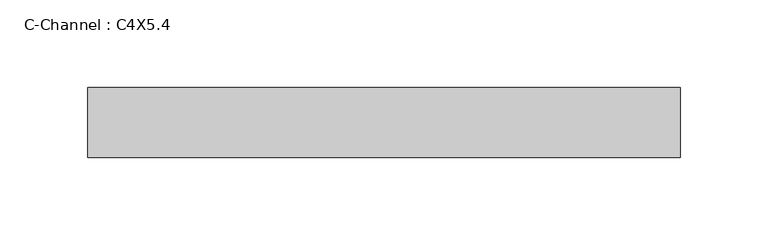
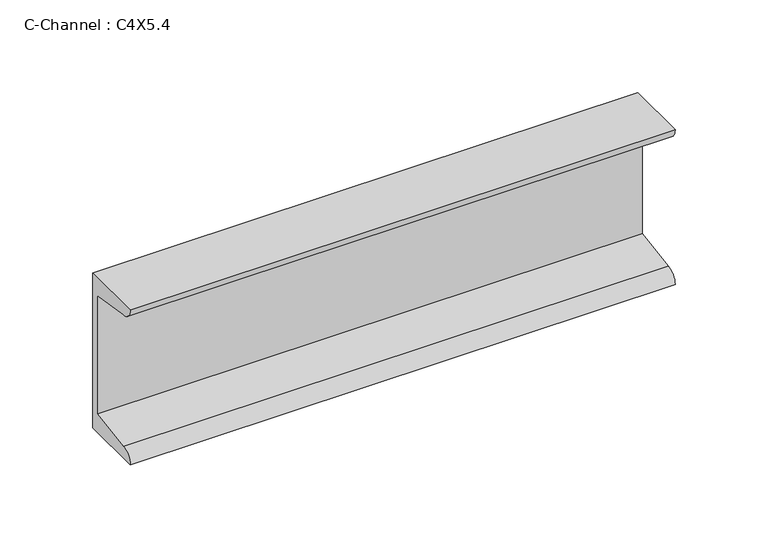
"""IFC4 building model written with IfcOpenShell, lengths in millimetres: beam geometry, C-Channel : C4X5.4."""

from ifc_helpers import new_model, si_unit, point, frame, frame_2d, origin, place, context, project, spatial, polyline, circle_curve, trimmed, segment, composite_curve, outline, extrude, source, transform, mapped, element, save


def c_channel_c4x5_4_ce13a80e(model_context):
    return source(origin(), model_context, "Body", "SweptSolid", [
        extrude(outline(composite_curve([segment(polyline([(11.6085937, 50.8), (11.6085937, -50.8), (-28.4757813, -50.8)]), True, "CONTINUOUS"), segment(trimmed(circle_curve(frame_2d((-20.9351563, -50.8)), 7.540625), [point((-28.4757813, -50.8))], [point((-20.9351563, -43.259375))], False, "CARTESIAN"), True, "CONTINUOUS"), segment(polyline([(-20.9351563, -43.259375), (6.9453125, -38.8435426), (6.9453125, 38.8435426), (-20.9351563, 43.259375)]), True, "CONTINUOUS"), segment(trimmed(circle_curve(frame_2d((-20.9351563, 50.8)), 7.540625), [point((-20.9351563, 43.259375))], [point((-28.4757813, 50.8))], False, "CARTESIAN"), True, "CONTINUOUS"), segment(polyline([(-28.4757813, 50.8), (11.6085937, 50.8)]), True, "CONTINUOUS")], self_intersect=False)), frame((-167.2869412, 0.0, 0.0), z_axis=(1.0, 0.0, 0.0), x_axis=(0.0, 1.0, 0.0)), (0.0, 0.0, 1.0), 338.4871288),
    ])


if __name__ == "__main__":
    model = new_model("IFC4")
    model_context = context("Model", 3, world=origin())
    ifc_project = project(units=[si_unit("LENGTHUNIT", "METRE", prefix="MILLI")], contexts=[model_context])
    site = spatial("IfcSite", under=ifc_project)
    building = spatial("IfcBuilding", under=site)
    placement = place(None, origin())
    c_channel_c4x5_4_shape = c_channel_c4x5_4_ce13a80e(model_context)
    element("IfcBeam", 1, ObjectType="C-Channel : C4X5.4", at=placement, inside=building, context=model_context, shape_type="MappedRepresentation", body=[
        mapped(c_channel_c4x5_4_shape, transform((0.0, 0.0, 0.0), x_axis=(1.0, 0.0, 0.0), y_axis=(0.0, 1.0, 0.0), z_axis=(0.0, 0.0, 1.0))),
    ])
    save(model, "model.ifc")
